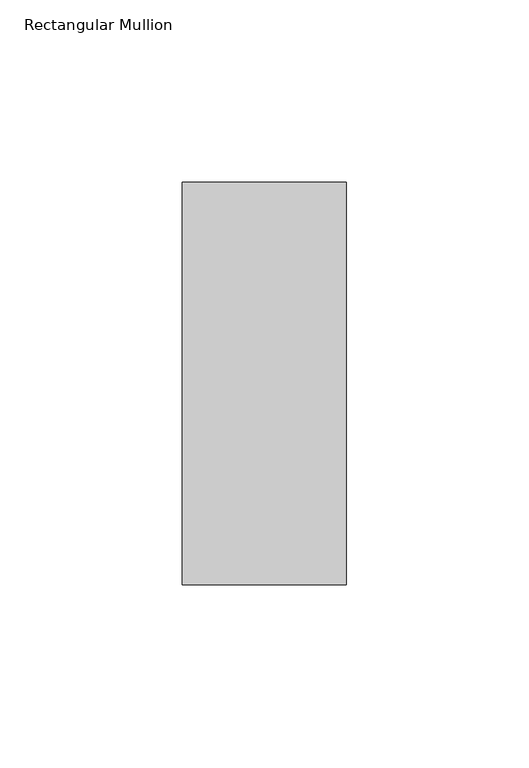
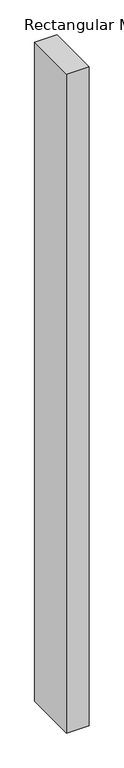
"""IFC4 building model written with IfcOpenShell, lengths in millimetres: member geometry, Rectangular Mullion."""

from ifc_helpers import new_model, si_unit, frame, origin, place, context, project, spatial, polyline, outline, extrude, source, transform, mapped, element, save


def rectangular_mullion_6e4084d8(model_context):
    return source(origin(), model_context, "Body", "SweptSolid", [
        extrude(outline(polyline([(22.5, 70.7), (22.5, -39.7), (-22.5, -39.7), (-22.5, 70.7), (22.5, 70.7)])), frame((0.0, 0.0, -1394.2628906), z_axis=(0.0, 0.0, 1.0), x_axis=(1.0, 0.0, 0.0)), (0.0, 0.0, 1.0), 1394.2628906),
    ])


if __name__ == "__main__":
    model = new_model("IFC4")
    model_context = context("Model", 3, world=origin())
    ifc_project = project(units=[si_unit("LENGTHUNIT", "METRE", prefix="MILLI")], contexts=[model_context])
    site = spatial("IfcSite", under=ifc_project)
    building = spatial("IfcBuilding", under=site)
    placement = place(None, origin())
    rectangular_mullion_shape = rectangular_mullion_6e4084d8(model_context)
    element("IfcMember", 1, ObjectType="Rectangular Mullion", at=placement, inside=building, context=model_context, shape_type="MappedRepresentation", body=[
        mapped(rectangular_mullion_shape, transform((0.0, 0.0, 0.0), x_axis=(1.0, 0.0, 0.0), y_axis=(0.0, 1.0, 0.0), z_axis=(0.0, 0.0, 1.0))),
    ])
    save(model, "model.ifc")
